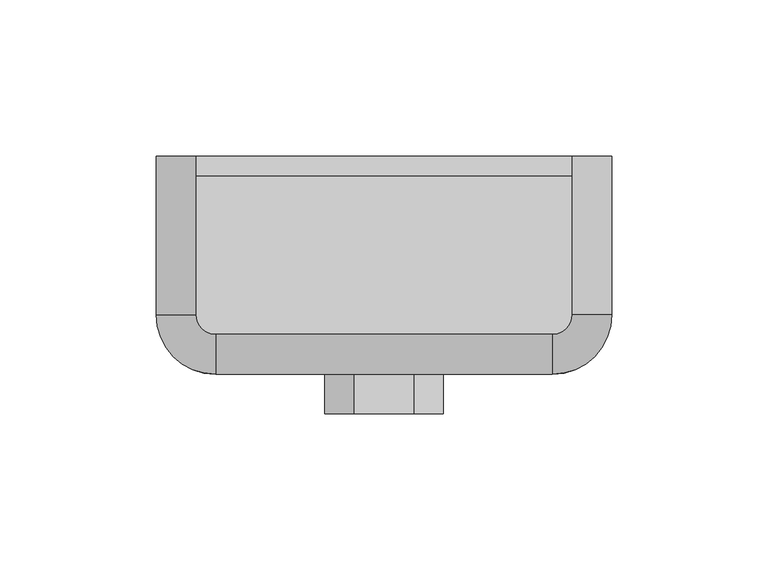
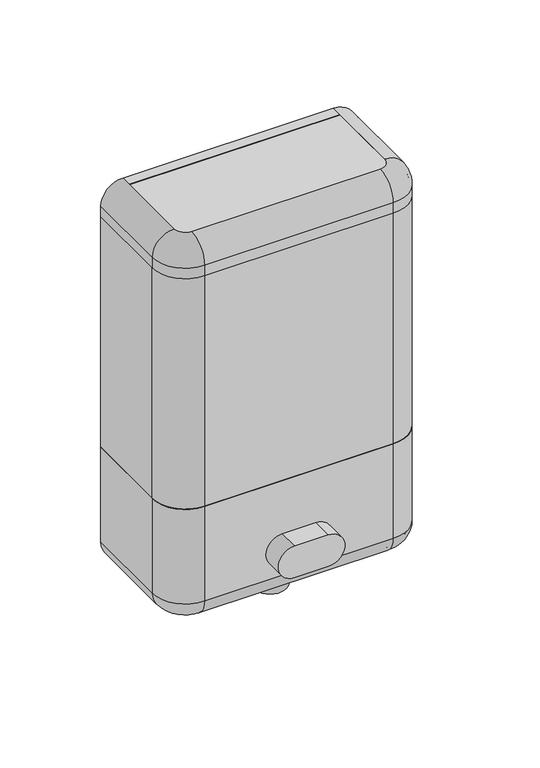
"""IFC4 building model written with IfcOpenShell, lengths in millimetres: proxy geometry."""

import ifcopenshell
import ifcopenshell.guid

model = None  # the IFC model being written
_history = None  # IfcOwnerHistory: only IFC2X3 demands one
_inside = {}  # id of a spatial element -> (the spatial element, [elements in it])
_under = {}  # id of a project, library or spatial element -> (it, [spatial elements below it])
_declared = {}  # id of a project -> (the project, [libraries it declares])
_typed = {}  # id of a type object -> (the type object, [elements of that type])
_made_of = {}  # id of a material, layer set ... -> (it, [elements and type objects made of it])


def new_model(schema):
    """Start an empty IFC model of exactly this schema.

    Asked for "IFC4X3", IfcOpenShell would pick the latest addendum, in which some entities
    have other attributes; the version numbers below select the first issue.
    IFC2X3 requires an IfcOwnerHistory on every rooted entity: one is made here for all.
    """
    global model, _history
    if schema == "IFC4X3":
        model = ifcopenshell.file(schema_version=(4, 3, 0, 0))
    else:
        model = ifcopenshell.file(schema=schema)
    _inside.clear()
    _under.clear()
    _declared.clear()
    _typed.clear()
    _made_of.clear()
    _history = None
    if model.schema == "IFC2X3":
        org = make("IfcOrganization", Name="unknown")
        user = make(
            "IfcPersonAndOrganization",
            ThePerson=make("IfcPerson", FamilyName="unknown"),
            TheOrganization=org,
        )
        app = make(
            "IfcApplication",
            ApplicationDeveloper=org,
            Version="unknown",
            ApplicationFullName="unknown",
            ApplicationIdentifier="unknown",
        )
        _history = make(
            "IfcOwnerHistory",
            OwningUser=user,
            OwningApplication=app,
            ChangeAction="ADDED",
            CreationDate=0,
        )
    return model


def make(cls, **values):
    """One entity of the class cls with the attributes given. An attribute that is None is left unset."""
    return model.create_entity(
        cls, **{name: value for name, value in values.items() if value is not None}
    )


def rooted(cls, **values):
    """An entity with a GlobalId (a new one), such as an element, a storey or a relation."""
    return make(cls, GlobalId=ifcopenshell.guid.new(), OwnerHistory=_history, **values)


def si_unit(unit_type, name, prefix=None):
    """IfcSIUnit, for example si_unit("LENGTHUNIT", "METRE", prefix="MILLI")."""
    return make("IfcSIUnit", UnitType=unit_type, Prefix=prefix, Name=name)


def assignment(units):
    """IfcUnitAssignment: the units of a project."""
    return None if units is None else make("IfcUnitAssignment", Units=units)


def point(xyz):
    """IfcCartesianPoint."""
    return None if xyz is None else make("IfcCartesianPoint", Coordinates=xyz)


def direction(xyz):
    """IfcDirection."""
    return None if xyz is None else make("IfcDirection", DirectionRatios=xyz)


def frame(location, z_axis=None, x_axis=None):
    """IfcAxis2Placement3D, a coordinate frame: its origin and axes. An axis left out is left unset."""
    return make(
        "IfcAxis2Placement3D",
        Location=point(location),
        Axis=direction(z_axis),
        RefDirection=direction(x_axis),
    )


def frame_2d(location, x_axis=None):
    """IfcAxis2Placement2D, a coordinate frame in the plane: its origin and x axis."""
    return make(
        "IfcAxis2Placement2D", Location=point(location), RefDirection=direction(x_axis)
    )


def origin():
    """The frame at (0, 0, 0) with its axes left unset."""
    return frame((0.0, 0.0, 0.0))


def origin_with_axes():
    """The frame at (0, 0, 0) with the z axis (0, 0, 1) and the x axis (1, 0, 0) written out."""
    return frame((0.0, 0.0, 0.0), z_axis=(0.0, 0.0, 1.0), x_axis=(1.0, 0.0, 0.0))


def place(relative_to, where):
    """IfcLocalPlacement: puts the frame where relative to a parent placement (None: the world)."""
    return make(
        "IfcLocalPlacement", PlacementRelTo=relative_to, RelativePlacement=where
    )


def context(
    kind, dimensions, precision=None, world=None, true_north=None, identifier=None
):
    """IfcGeometricRepresentationContext, for example the 3D "Model" context."""
    return make(
        "IfcGeometricRepresentationContext",
        ContextIdentifier=identifier,
        ContextType=kind,
        CoordinateSpaceDimension=dimensions,
        Precision=precision,
        WorldCoordinateSystem=world,
        TrueNorth=true_north,
    )


def project(units=None, contexts=None):
    """IfcProject with its units and contexts."""
    return rooted(
        "IfcProject",
        Name="project",
        RepresentationContexts=contexts,
        UnitsInContext=assignment(units),
    )


def spatial(cls, under=None, at=None, **own):
    """A site, building, storey or space (cls), placed at a placement, below another one or the project."""
    s = rooted(cls, ObjectPlacement=at, **own)
    if under is not None:
        _under.setdefault(under.id(), (under, []))[1].append(s)
    return s


def polyline(points):
    """IfcPolyline through the points."""
    return make("IfcPolyline", Points=[point(p) for p in points])


def circle_curve(where, radius):
    """IfcCircle in the frame where."""
    return make("IfcCircle", Position=where, Radius=radius)


def ellipse_curve(where, semi_axis1, semi_axis2):
    """IfcEllipse in the frame where."""
    return make(
        "IfcEllipse", Position=where, SemiAxis1=semi_axis1, SemiAxis2=semi_axis2
    )


def trimmed(basis, trim1, trim2, sense, master):
    """IfcTrimmedCurve: the piece of a basis curve between two trims."""
    return make(
        "IfcTrimmedCurve",
        BasisCurve=basis,
        Trim1=trim1,
        Trim2=trim2,
        SenseAgreement=sense,
        MasterRepresentation=master,
    )


def segment(curve, same_sense, transition):
    """IfcCompositeCurveSegment."""
    return make(
        "IfcCompositeCurveSegment",
        Transition=transition,
        SameSense=same_sense,
        ParentCurve=curve,
    )


def composite_curve(segments, self_intersect=None):
    """IfcCompositeCurve: segments joined end to end."""
    return make("IfcCompositeCurve", Segments=segments, SelfIntersect=self_intersect)


def outline(outer, holes=None, kind="AREA"):
    """IfcArbitraryClosedProfileDef: a profile drawn as a closed curve; with holes, ...WithVoids."""
    if holes is None:
        return make("IfcArbitraryClosedProfileDef", ProfileType=kind, OuterCurve=outer)
    return make(
        "IfcArbitraryProfileDefWithVoids",
        ProfileType=kind,
        OuterCurve=outer,
        InnerCurves=holes,
    )


def extrude(swept, where, along, depth):
    """IfcExtrudedAreaSolid: the profile swept, set in the frame where, extruded along a direction by depth."""
    return make(
        "IfcExtrudedAreaSolid",
        SweptArea=swept,
        Position=where,
        ExtrudedDirection=direction(along),
        Depth=depth,
    )


def shape(context_of_items, identifier, shape_type, items):
    """IfcShapeRepresentation: the items that make up one representation, for example the "Body"."""
    return make(
        "IfcShapeRepresentation",
        ContextOfItems=context_of_items,
        RepresentationIdentifier=identifier,
        RepresentationType=shape_type,
        Items=items,
    )


def source(mapping_origin, context_of_items, identifier, shape_type, items):
    """IfcRepresentationMap: a shape defined once, which mapped items show again and again."""
    return make(
        "IfcRepresentationMap",
        MappingOrigin=mapping_origin,
        MappedRepresentation=shape(context_of_items, identifier, shape_type, items),
    )


def transform(
    local_origin,
    x_axis=None,
    y_axis=None,
    z_axis=None,
    scale=None,
    scale2=None,
    scale3=None,
    uniform=True,
):
    """IfcCartesianTransformationOperator3D, or its non-uniform kind. x_axis, y_axis, z_axis: its Axis1, 2, 3."""
    if uniform:
        return make(
            "IfcCartesianTransformationOperator3D",
            Axis1=direction(x_axis),
            Axis2=direction(y_axis),
            LocalOrigin=point(local_origin),
            Scale=scale,
            Axis3=direction(z_axis),
        )
    return make(
        "IfcCartesianTransformationOperator3DnonUniform",
        Axis1=direction(x_axis),
        Axis2=direction(y_axis),
        LocalOrigin=point(local_origin),
        Scale=scale,
        Axis3=direction(z_axis),
        Scale2=scale2,
        Scale3=scale3,
    )


def mapped(mapping_source, mapping_target):
    """IfcMappedItem: shows the shape of a source again, moved by a transform."""
    return make(
        "IfcMappedItem", MappingSource=mapping_source, MappingTarget=mapping_target
    )


def made_of(thing, what):
    """Note that an element or type object is made of a material, layer set ...; save() writes the relation."""
    if what is not None:
        _made_of.setdefault(what.id(), (what, []))[1].append(thing)
    return thing


def element(
    cls,
    number,
    at=None,
    inside=None,
    cuts=None,
    type_object=None,
    material=None,
    context=None,
    identifier="Body",
    shape_type=None,
    held_by="IfcProductDefinitionShape",
    body=None,
    shapes=None,
    **own,
):
    """One element of the class cls, such as IfcWall. Its Tag is "e" and its number.

    at: its placement. inside: the storey or other place that contains it. cuts: it is an
    opening in that element (IfcRelVoidsElement). A single representation is given by context,
    identifier, shape_type and body (its items); several are given by shapes. held_by: the class
    of the entity that holds the representations. save() writes the other relations.
    """
    e = rooted(cls, Tag="e%d" % number, ObjectPlacement=at, **own)
    if body is not None:
        shapes = [shape(context, identifier, shape_type, body)]
    if shapes is not None:
        e.Representation = make(held_by, Representations=shapes)
    if inside is not None:
        _inside.setdefault(inside.id(), (inside, []))[1].append(e)
    if cuts is not None:
        rooted(
            "IfcRelVoidsElement", RelatingBuildingElement=cuts, RelatedOpeningElement=e
        )
    if type_object is not None:
        _typed.setdefault(type_object.id(), (type_object, []))[1].append(e)
    return made_of(e, material)


def aggregate(whole, parts):
    """IfcRelAggregates: a whole, such as a stair, and the parts it consists of."""
    return rooted("IfcRelAggregates", RelatingObject=whole, RelatedObjects=parts)


def save(model, path):
    """Write the relations noted so far, then the file.

    IfcRelAggregates (storeys below a building ...), IfcRelContainedInSpatialStructure (elements
    in a storey), IfcRelDefinesByType, IfcRelAssociatesMaterial and IfcRelDeclares: one each for
    every whole, place, type object, material and project.
    """
    for whole, parts in _under.values():
        aggregate(whole, parts)
    for where, things in _inside.values():
        rooted(
            "IfcRelContainedInSpatialStructure",
            RelatedElements=things,
            RelatingStructure=where,
        )
    for kind, things in _typed.values():
        rooted("IfcRelDefinesByType", RelatedObjects=things, RelatingType=kind)
    for what, things in _made_of.values():
        rooted("IfcRelAssociatesMaterial", RelatedObjects=things, RelatingMaterial=what)
    for by, libraries in _declared.values():
        rooted("IfcRelDeclares", RelatingContext=by, RelatedDefinitions=libraries)
    model.write(path)


def plane_surface(at):
    """IfcPlane: the flat surface through the origin of the frame at, square to its z axis."""
    return make("IfcPlane", Position=at)


def cylinder_surface(at, radius):
    """IfcCylindricalSurface: all points at the distance radius from the z axis of the frame at."""
    return make("IfcCylindricalSurface", Position=at, Radius=radius)


def revolved_surface(curve, axis_point, axis_direction):
    """IfcSurfaceOfRevolution: the curve turned about the line through axis_point along axis_direction."""
    return make(
        "IfcSurfaceOfRevolution",
        SweptCurve=make("IfcArbitraryOpenProfileDef", ProfileType="CURVE", Curve=curve),
        AxisPosition=make("IfcAxis1Placement", Location=point(axis_point), Axis=direction(axis_direction)),
    )


def advanced_brep(points, edges, surfaces, faces):
    """IfcAdvancedBrep: a solid bounded by faces that lie on surfaces and meet in shared edges.

    An edge is (start, end): straight between two places in points (the first is 0);
    or (start, end, curve); or (start, end, curve, False) where it runs against its curve.
    A face is (place in surfaces, loops), or (place, loops, False) where it looks against
    its surface's normal. A loop lists edges by number (the first is 1), with a minus sign
    where the edge is run from its end to its start. The first loop is the outer one.
    """
    corners = [point(p) for p in points]
    vertices = [make("IfcVertexPoint", VertexGeometry=c) for c in corners]
    made = []
    for start, end, *more in edges:
        made.append(
            make(
                "IfcEdgeCurve",
                EdgeStart=vertices[start],
                EdgeEnd=vertices[end],
                EdgeGeometry=more[0] if more else make("IfcPolyline", Points=[corners[start], corners[end]]),
                SameSense=more[1] if len(more) > 1 else True,
            )
        )
    hull = []
    for where, loops, *sense in faces:
        bounds = []
        for j, loop in enumerate(loops):
            ring = [make("IfcOrientedEdge", EdgeElement=made[abs(k) - 1], Orientation=k > 0) for k in loop]
            bounds.append(
                make(
                    "IfcFaceOuterBound" if j == 0 else "IfcFaceBound",
                    Bound=make("IfcEdgeLoop", EdgeList=ring),
                    Orientation=True,
                )
            )
        hull.append(make("IfcAdvancedFace", Bounds=bounds, FaceSurface=surfaces[where], SameSense=sense[0] if sense else True))
    return make("IfcAdvancedBrep", Outer=make("IfcClosedShell", CfsFaces=hull))


def specialty_equipment_b6fbd8a6(model_context):
    return source(origin(), model_context, "Body", "SolidModel", [
        advanced_brep(
        [(-73.025, 0.0, 12.7), (-73.025, 0.0, 69.85), (-71.4375, 0.0, 69.85), (-71.4375, 0.0, 12.7), (-60.325, 0.0, 1.5875), (-60.325, 0.0, 0.0), (-73.025, -50.8, 12.7), (-73.025, -50.8, 69.85), (-53.975, -69.85, 69.85), (53.975, -69.85, 69.85), (73.025, -50.8, 69.85), (73.025, 0.0, 69.85), (71.4375, 0.0, 69.85), (71.4375, -50.8, 69.85), (53.975, -68.2625, 69.85), (-53.975, -68.2625, 69.85), (-71.4375, -50.8, 69.85), (-71.4375, -50.8, 12.7), (-60.325, -50.8, 1.5875), (-60.325, -50.8, 0.0), (-53.975, -69.85, 12.7), (-53.975, -68.2625, 12.7), (-53.975, -57.15, 1.5875), (-53.975, -57.15, 0.0), (53.975, -69.85, 12.7), (53.975, -68.2625, 12.7), (53.975, -57.15, 1.5875), (53.975, -57.15, 0.0), (73.025, -50.8, 12.7), (71.4375, -50.8, 12.7), (60.325, -50.8, 1.5875), (60.325, -50.8, 0.0), (73.025, 0.0, 12.7), (60.325, 0.0, 0.0), (60.325, 0.0, 1.5875), (71.4375, 0.0, 12.7)],
        [
            (0, 1),
            (1, 2),
            (2, 3),
            (3, 4, circle_curve(frame((-60.325, 0.0, 12.7), z_axis=(0.0, -1.0, 0.0), x_axis=(1.0, 0.0, 0.0)), 11.1125)),
            (4, 5),
            (5, 0, circle_curve(frame((-60.325, 0.0, 12.7), z_axis=(0.0, 1.0, 0.0), x_axis=(1.0, 0.0, 0.0)), 12.7)),
            (0, 6),
            (6, 7),
            (7, 1),
            (7, 8, circle_curve(frame((-53.975, -50.8, 69.85), z_axis=(0.0, 0.0, 1.0), x_axis=(-1.0, 0.0, 0.0)), 19.05)),
            (8, 9),
            (9, 10, circle_curve(frame((53.975, -50.8, 69.85), z_axis=(0.0, 0.0, 1.0), x_axis=(0.0, -1.0, 0.0)), 19.05)),
            (10, 11),
            (11, 12),
            (12, 13),
            (13, 14, circle_curve(frame((53.975, -50.8, 69.85), z_axis=(0.0, 0.0, -1.0), x_axis=(0.0, -1.0, 0.0)), 17.4625)),
            (14, 15),
            (15, 16, circle_curve(frame((-53.975, -50.8, 69.85), z_axis=(0.0, 0.0, -1.0), x_axis=(-1.0, 0.0, 0.0)), 17.4625)),
            (16, 2),
            (16, 17),
            (17, 3),
            (17, 18, circle_curve(frame((-60.325, -50.8, 12.7), z_axis=(0.0, -1.0, 0.0), x_axis=(1.0, 0.0, 0.0)), 11.1125)),
            (18, 4),
            (18, 19),
            (19, 5),
            (19, 6, circle_curve(frame((-60.325, -50.8, 12.7), z_axis=(0.0, 1.0, 0.0), x_axis=(1.0, 0.0, 0.0)), 12.7)),
            (6, 20, circle_curve(frame((-53.975, -50.8, 12.7), z_axis=(0.0, 0.0, 1.0), x_axis=(-1.0, 0.0, 0.0)), 19.05)),
            (20, 8),
            (21, 17, circle_curve(frame((-53.975, -50.8, 12.7), z_axis=(0.0, 0.0, -1.0), x_axis=(-1.0, 0.0, 0.0)), 17.4625)),
            (15, 21),
            (22, 18, circle_curve(frame((-53.975, -50.8, 1.5875), z_axis=(0.0, 0.0, -1.0), x_axis=(-1.0, 0.0, 0.0)), 6.35)),
            (21, 22, circle_curve(frame((-53.975, -57.15, 12.7), z_axis=(1.0, 0.0, 0.0), x_axis=(0.0, 1.0, 0.0)), 11.1125)),
            (23, 19, circle_curve(frame((-53.975, -50.8, 0.0), z_axis=(0.0, 0.0, -1.0), x_axis=(-1.0, 0.0, 0.0)), 6.35)),
            (22, 23),
            (23, 20, circle_curve(frame((-53.975, -57.15, 12.7), z_axis=(-1.0, 0.0, 0.0), x_axis=(0.0, 1.0, 0.0)), 12.7)),
            (20, 24),
            (24, 9),
            (14, 25),
            (25, 21),
            (25, 26, circle_curve(frame((53.975, -57.15, 12.7), z_axis=(1.0, 0.0, 0.0), x_axis=(0.0, 1.0, 0.0)), 11.1125)),
            (26, 22),
            (26, 27),
            (27, 23),
            (27, 24, circle_curve(frame((53.975, -57.15, 12.7), z_axis=(-1.0, 0.0, 0.0), x_axis=(0.0, 1.0, 0.0)), 12.7)),
            (24, 28, circle_curve(frame((53.975, -50.8, 12.7), z_axis=(0.0, 0.0, 1.0), x_axis=(0.0, -1.0, 0.0)), 19.05)),
            (28, 10),
            (29, 25, circle_curve(frame((53.975, -50.8, 12.7), z_axis=(0.0, 0.0, -1.0), x_axis=(0.0, -1.0, 0.0)), 17.4625)),
            (13, 29),
            (30, 26, circle_curve(frame((53.975, -50.8, 1.5875), z_axis=(0.0, 0.0, -1.0), x_axis=(0.0, -1.0, 0.0)), 6.35)),
            (29, 30, circle_curve(frame((60.325, -50.8, 12.7), z_axis=(0.0, 1.0, 0.0), x_axis=(-1.0, 0.0, 0.0)), 11.1125)),
            (31, 27, circle_curve(frame((53.975, -50.8, 0.0), z_axis=(0.0, 0.0, -1.0), x_axis=(0.0, -1.0, 0.0)), 6.35)),
            (30, 31),
            (31, 28, circle_curve(frame((60.325, -50.8, 12.7), z_axis=(0.0, -1.0, 0.0), x_axis=(-1.0, 0.0, 0.0)), 12.7)),
            (32, 33, circle_curve(frame((60.325, 0.0, 12.7), z_axis=(0.0, 1.0, 0.0), x_axis=(-1.0, 0.0, 0.0)), 12.7)),
            (33, 34),
            (34, 35, circle_curve(frame((60.325, 0.0, 12.7), z_axis=(0.0, -1.0, 0.0), x_axis=(-1.0, 0.0, 0.0)), 11.1125)),
            (35, 12),
            (11, 32),
            (28, 32),
            (35, 29),
            (34, 30),
            (33, 31),
        ],
        [
            plane_surface(frame((-73.025, 0.0, 0.0), z_axis=(0.0, 1.0, 0.0), x_axis=(0.0, 0.0, 1.0))),
            plane_surface(frame((-73.025, 0.0, 12.7), z_axis=(-1.0, 0.0, 0.0), x_axis=(0.0, -1.0, 0.0))),
            plane_surface(frame((-73.025, 0.0, 69.85), z_axis=(0.0, 0.0, 1.0), x_axis=(0.0, -1.0, 0.0))),
            plane_surface(frame((-71.4375, 0.0, 69.85), z_axis=(1.0, 0.0, 0.0), x_axis=(0.0, -1.0, 0.0))),
            revolved_surface(polyline([(-49.212500000000006, -50.8, 12.7), (-49.212500000000006, 0.0, 12.7)]), (-60.325, 0.0, 12.7), (0.0, -1.0, 0.0)),
            plane_surface(frame((-60.325, 0.0, 1.5875), z_axis=(1.0, 0.0, 0.0), x_axis=(0.0, -1.0, 0.0))),
            cylinder_surface(frame((-60.325, 0.0, 12.7), z_axis=(0.0, 1.0, 0.0), x_axis=(1.0, 0.0, 0.0)), 12.7),
            cylinder_surface(frame((-53.975, -50.8, 0.0), z_axis=(0.0, 0.0, 1.0), x_axis=(-1.0, 0.0, 0.0)), 19.05),
            revolved_surface(polyline([(-71.4375, -50.8, 69.85), (-71.4375, -50.8, 12.7)]), (-53.975, -50.8, 0.0), (0.0, 0.0, 1.0)),
            revolved_surface(trimmed(ellipse_curve(frame((-60.325, -50.8, 12.7), z_axis=(0.0, -1.0, 0.0), x_axis=(1.0, 0.0, 0.0)), 11.1125, 11.1125), [point((-71.4375, -50.8, 12.7))], [point((-60.325, -50.8, 1.5875))], True, "CARTESIAN"), (-53.975, -50.8, 0.0), (0.0, 0.0, 1.0)),
            revolved_surface(polyline([(-60.325, -50.8, 1.5875), (-60.325, -50.8, 0.0)]), (-53.975, -50.8, 0.0), (0.0, 0.0, 1.0)),
            revolved_surface(trimmed(ellipse_curve(frame((-60.325, -50.8, 12.7), z_axis=(0.0, 1.0, 0.0), x_axis=(1.0, 0.0, 0.0)), 12.7, 12.7), [point((-60.325, -50.8, 0.0))], [point((-73.025, -50.8, 12.7))], True, "CARTESIAN"), (-53.975, -50.8, 0.0), (0.0, 0.0, 1.0)),
            plane_surface(frame((-53.975, -69.85, 12.7), z_axis=(0.0, -1.0, 0.0), x_axis=(1.0, 0.0, 0.0))),
            plane_surface(frame((-53.975, -68.2625, 69.85), z_axis=(0.0, 1.0, 0.0), x_axis=(1.0, 0.0, 0.0))),
            revolved_surface(polyline([(53.975, -46.037499999999994, 12.7), (-53.975, -46.037499999999994, 12.7)]), (-53.975, -57.15, 12.7), (1.0, 0.0, 0.0)),
            plane_surface(frame((-53.975, -57.15, 1.5875), z_axis=(0.0, 1.0, 0.0), x_axis=(1.0, 0.0, 0.0))),
            cylinder_surface(frame((-53.975, -57.15, 12.7), z_axis=(-1.0, 0.0, 0.0), x_axis=(0.0, 1.0, 0.0)), 12.7),
            cylinder_surface(frame((53.975, -50.8, 0.0), z_axis=(0.0, 0.0, 1.0), x_axis=(0.0, -1.0, 0.0)), 19.05),
            revolved_surface(polyline([(53.975, -68.26249999999999, 69.85), (53.975, -68.26249999999999, 12.7)]), (53.975, -50.8, 0.0), (0.0, 0.0, 1.0)),
            revolved_surface(trimmed(ellipse_curve(frame((53.975, -57.15, 12.7), z_axis=(1.0, 0.0, 0.0), x_axis=(0.0, 1.0, 0.0)), 11.1125, 11.1125), [point((53.975, -68.2625, 12.7))], [point((53.975, -57.15, 1.5875))], True, "CARTESIAN"), (53.975, -50.8, 0.0), (0.0, 0.0, 1.0)),
            revolved_surface(polyline([(53.975, -57.15, 1.5875), (53.975, -57.15, 0.0)]), (53.975, -50.8, 0.0), (0.0, 0.0, 1.0)),
            revolved_surface(trimmed(ellipse_curve(frame((53.975, -57.15, 12.7), z_axis=(-1.0, 0.0, 0.0), x_axis=(0.0, 1.0, 0.0)), 12.7, 12.7), [point((53.975, -57.15, 0.0))], [point((53.975, -69.85, 12.7))], True, "CARTESIAN"), (53.975, -50.8, 0.0), (0.0, 0.0, 1.0)),
            plane_surface(frame((73.025, 0.0, 0.0), z_axis=(0.0, 1.0, 0.0), x_axis=(0.0, 0.0, 1.0))),
            plane_surface(frame((73.025, -50.8, 12.7), z_axis=(1.0, 0.0, 0.0), x_axis=(0.0, 1.0, 0.0))),
            plane_surface(frame((71.4375, -50.8, 69.85), z_axis=(-1.0, 0.0, 0.0), x_axis=(0.0, 1.0, 0.0))),
            revolved_surface(polyline([(49.212500000000006, 0.0, 12.7), (49.212500000000006, -50.8, 12.7)]), (60.325, -50.8, 12.7), (0.0, 1.0, 0.0)),
            plane_surface(frame((60.325, -50.8, 1.5875), z_axis=(-1.0, 0.0, 0.0), x_axis=(0.0, 1.0, 0.0))),
            cylinder_surface(frame((60.325, -50.8, 12.7), z_axis=(0.0, -1.0, 0.0), x_axis=(-1.0, 0.0, 0.0)), 12.7),
        ],
        [
            (0, [[1, 2, 3, 4, 5, 6]]),
            (1, [[-1, 7, 8, 9]]),
            (2, [[-2, -9, 10, 11, 12, 13, 14, 15, 16, 17, 18, 19]]),
            (3, [[-3, -19, 20, 21]]),
            (4, [[-4, -21, 22, 23]]),
            (5, [[-5, -23, 24, 25]]),
            (6, [[-6, -25, 26, -7]]),
            (7, [[-10, -8, 27, 28]]),
            (8, [[29, -20, -18, 30]]),
            (9, [[31, -22, -29, 32]]),
            (10, [[33, -24, -31, 34]]),
            (11, [[-27, -26, -33, 35]]),
            (12, [[-28, 36, 37, -11]]),
            (13, [[-30, -17, 38, 39]]),
            (14, [[-32, -39, 40, 41]]),
            (15, [[-34, -41, 42, 43]]),
            (16, [[-35, -43, 44, -36]]),
            (17, [[-12, -37, 45, 46]]),
            (18, [[47, -38, -16, 48]]),
            (19, [[49, -40, -47, 50]]),
            (20, [[51, -42, -49, 52]]),
            (21, [[-45, -44, -51, 53]]),
            (22, [[54, 55, 56, 57, -14, 58]]),
            (23, [[-46, 59, -58, -13]]),
            (24, [[-48, -15, -57, 60]]),
            (25, [[-50, -60, -56, 61]]),
            (26, [[-52, -61, -55, 62]]),
            (27, [[-53, -62, -54, -59]]),
        ],
    ),
        advanced_brep(
        [(-73.025, 0.0, 215.9), (-60.325, 0.0, 228.6), (-60.325, 0.0, 227.0125), (-71.4375, 0.0, 215.9), (-71.4375, 0.0, 209.55), (-73.025, 0.0, 209.55), (-73.025, -50.8, 215.9), (-60.325, -50.8, 228.6), (-60.325, -50.8, 227.0125), (-71.4375, -50.8, 215.9), (-71.4375, -50.8, 209.55), (-53.975, -68.2625, 209.55), (53.975, -68.2625, 209.55), (71.4375, -50.8, 209.55), (71.4375, 0.0, 209.55), (73.025, 0.0, 209.55), (73.025, -50.8, 209.55), (53.975, -69.85, 209.55), (-53.975, -69.85, 209.55), (-73.025, -50.8, 209.55), (-53.975, -57.15, 228.6), (-53.975, -69.85, 215.9), (-53.975, -57.15, 227.0125), (-53.975, -68.2625, 215.9), (53.975, -69.85, 215.9), (53.975, -57.15, 228.6), (53.975, -57.15, 227.0125), (53.975, -68.2625, 215.9), (60.325, -50.8, 228.6), (73.025, -50.8, 215.9), (60.325, -50.8, 227.0125), (71.4375, -50.8, 215.9), (73.025, 0.0, 215.9), (71.4375, 0.0, 215.9), (60.325, 0.0, 227.0125), (60.325, 0.0, 228.6)],
        [
            (0, 1, circle_curve(frame((-60.325, 0.0, 215.9), z_axis=(0.0, 1.0, 0.0), x_axis=(1.0, 0.0, 0.0)), 12.7)),
            (1, 2),
            (2, 3, circle_curve(frame((-60.325, 0.0, 215.9), z_axis=(0.0, -1.0, 0.0), x_axis=(1.0, 0.0, 0.0)), 11.1125)),
            (3, 4),
            (4, 5),
            (5, 0),
            (0, 6),
            (6, 7, circle_curve(frame((-60.325, -50.8, 215.9), z_axis=(0.0, 1.0, 0.0), x_axis=(1.0, 0.0, 0.0)), 12.7)),
            (7, 1),
            (7, 8),
            (8, 2),
            (8, 9, circle_curve(frame((-60.325, -50.8, 215.9), z_axis=(0.0, -1.0, 0.0), x_axis=(1.0, 0.0, 0.0)), 11.1125)),
            (9, 3),
            (9, 10),
            (10, 4),
            (10, 11, circle_curve(frame((-53.975, -50.8, 209.55), z_axis=(0.0, 0.0, 1.0), x_axis=(-1.0, 0.0, 0.0)), 17.4625)),
            (11, 12),
            (12, 13, circle_curve(frame((53.975, -50.8, 209.55), z_axis=(0.0, 0.0, 1.0), x_axis=(0.0, -1.0, 0.0)), 17.4625)),
            (13, 14),
            (14, 15),
            (15, 16),
            (16, 17, circle_curve(frame((53.975, -50.8, 209.55), z_axis=(0.0, 0.0, -1.0), x_axis=(0.0, -1.0, 0.0)), 19.05)),
            (17, 18),
            (18, 19, circle_curve(frame((-53.975, -50.8, 209.55), z_axis=(0.0, 0.0, -1.0), x_axis=(-1.0, 0.0, 0.0)), 19.05)),
            (19, 5),
            (19, 6),
            (20, 7, circle_curve(frame((-53.975, -50.8, 228.6), z_axis=(0.0, 0.0, -1.0), x_axis=(-1.0, 0.0, 0.0)), 6.35)),
            (6, 21, circle_curve(frame((-53.975, -50.8, 215.9), z_axis=(0.0, 0.0, 1.0), x_axis=(-1.0, 0.0, 0.0)), 19.05)),
            (21, 20, circle_curve(frame((-53.975, -57.15, 215.9), z_axis=(-1.0, 0.0, 0.0), x_axis=(0.0, 1.0, 0.0)), 12.7)),
            (22, 8, circle_curve(frame((-53.975, -50.8, 227.0125), z_axis=(0.0, 0.0, -1.0), x_axis=(-1.0, 0.0, 0.0)), 6.35)),
            (20, 22),
            (23, 9, circle_curve(frame((-53.975, -50.8, 215.9), z_axis=(0.0, 0.0, -1.0), x_axis=(-1.0, 0.0, 0.0)), 17.4625)),
            (22, 23, circle_curve(frame((-53.975, -57.15, 215.9), z_axis=(1.0, 0.0, 0.0), x_axis=(0.0, 1.0, 0.0)), 11.1125)),
            (23, 11),
            (18, 21),
            (21, 24),
            (24, 25, circle_curve(frame((53.975, -57.15, 215.9), z_axis=(-1.0, 0.0, 0.0), x_axis=(0.0, 1.0, 0.0)), 12.7)),
            (25, 20),
            (25, 26),
            (26, 22),
            (26, 27, circle_curve(frame((53.975, -57.15, 215.9), z_axis=(1.0, 0.0, 0.0), x_axis=(0.0, 1.0, 0.0)), 11.1125)),
            (27, 23),
            (27, 12),
            (17, 24),
            (28, 25, circle_curve(frame((53.975, -50.8, 228.6), z_axis=(0.0, 0.0, -1.0), x_axis=(0.0, -1.0, 0.0)), 6.35)),
            (24, 29, circle_curve(frame((53.975, -50.8, 215.9), z_axis=(0.0, 0.0, 1.0), x_axis=(0.0, -1.0, 0.0)), 19.05)),
            (29, 28, circle_curve(frame((60.325, -50.8, 215.9), z_axis=(0.0, -1.0, 0.0), x_axis=(-1.0, 0.0, 0.0)), 12.7)),
            (30, 26, circle_curve(frame((53.975, -50.8, 227.0125), z_axis=(0.0, 0.0, -1.0), x_axis=(0.0, -1.0, 0.0)), 6.35)),
            (28, 30),
            (31, 27, circle_curve(frame((53.975, -50.8, 215.9), z_axis=(0.0, 0.0, -1.0), x_axis=(0.0, -1.0, 0.0)), 17.4625)),
            (30, 31, circle_curve(frame((60.325, -50.8, 215.9), z_axis=(0.0, 1.0, 0.0), x_axis=(-1.0, 0.0, 0.0)), 11.1125)),
            (31, 13),
            (16, 29),
            (32, 15),
            (14, 33),
            (33, 34, circle_curve(frame((60.325, 0.0, 215.9), z_axis=(0.0, -1.0, 0.0), x_axis=(-1.0, 0.0, 0.0)), 11.1125)),
            (34, 35),
            (35, 32, circle_curve(frame((60.325, 0.0, 215.9), z_axis=(0.0, 1.0, 0.0), x_axis=(-1.0, 0.0, 0.0)), 12.7)),
            (29, 32),
            (35, 28),
            (34, 30),
            (33, 31),
        ],
        [
            plane_surface(frame((-73.025, 0.0, 228.6), z_axis=(0.0, 1.0, 0.0), x_axis=(0.0, 0.0, 1.0))),
            cylinder_surface(frame((-60.325, 0.0, 215.9), z_axis=(0.0, 1.0, 0.0), x_axis=(1.0, 0.0, 0.0)), 12.7),
            plane_surface(frame((-60.325, 0.0, 228.6), z_axis=(1.0, 0.0, 0.0), x_axis=(0.0, -1.0, 0.0))),
            revolved_surface(polyline([(-49.212500000000006, -50.8, 215.9), (-49.212500000000006, 0.0, 215.9)]), (-60.325, 0.0, 215.9), (0.0, -1.0, 0.0)),
            plane_surface(frame((-71.4375, 0.0, 215.9), z_axis=(1.0, 0.0, 0.0), x_axis=(0.0, -1.0, 0.0))),
            plane_surface(frame((-71.4375, 0.0, 209.55), z_axis=(0.0, 0.0, -1.0), x_axis=(0.0, -1.0, 0.0))),
            plane_surface(frame((-73.025, 0.0, 209.55), z_axis=(-1.0, 0.0, 0.0), x_axis=(0.0, -1.0, 0.0))),
            revolved_surface(trimmed(ellipse_curve(frame((-60.325, -50.8, 215.9), z_axis=(0.0, 1.0, 0.0), x_axis=(1.0, 0.0, 0.0)), 12.7, 12.7), [point((-73.025, -50.8, 215.9))], [point((-60.325, -50.8, 228.6))], True, "CARTESIAN"), (-53.975, -50.8, 228.6), (0.0, 0.0, 1.0)),
            revolved_surface(polyline([(-60.325, -50.8, 228.6), (-60.325, -50.8, 227.0125)]), (-53.975, -50.8, 228.6), (0.0, 0.0, 1.0)),
            revolved_surface(trimmed(ellipse_curve(frame((-60.325, -50.8, 215.9), z_axis=(0.0, -1.0, 0.0), x_axis=(1.0, 0.0, 0.0)), 11.1125, 11.1125), [point((-60.325, -50.8, 227.0125))], [point((-71.4375, -50.8, 215.9))], True, "CARTESIAN"), (-53.975, -50.8, 228.6), (0.0, 0.0, 1.0)),
            revolved_surface(polyline([(-71.4375, -50.8, 215.9), (-71.4375, -50.8, 209.55)]), (-53.975, -50.8, 228.6), (0.0, 0.0, 1.0)),
            cylinder_surface(frame((-53.975, -50.8, 228.6), z_axis=(0.0, 0.0, 1.0), x_axis=(-1.0, 0.0, 0.0)), 19.05),
            cylinder_surface(frame((-53.975, -57.15, 215.9), z_axis=(-1.0, 0.0, 0.0), x_axis=(0.0, 1.0, 0.0)), 12.7),
            plane_surface(frame((-53.975, -57.15, 228.6), z_axis=(0.0, 1.0, 0.0), x_axis=(1.0, 0.0, 0.0))),
            revolved_surface(polyline([(53.975, -46.037499999999994, 215.9), (-53.975, -46.037499999999994, 215.9)]), (-53.975, -57.15, 215.9), (1.0, 0.0, 0.0)),
            plane_surface(frame((-53.975, -68.2625, 215.9), z_axis=(0.0, 1.0, 0.0), x_axis=(1.0, 0.0, 0.0))),
            plane_surface(frame((-53.975, -69.85, 209.55), z_axis=(0.0, -1.0, 0.0), x_axis=(1.0, 0.0, 0.0))),
            revolved_surface(trimmed(ellipse_curve(frame((53.975, -57.15, 215.9), z_axis=(-1.0, 0.0, 0.0), x_axis=(0.0, 1.0, 0.0)), 12.7, 12.7), [point((53.975, -69.85, 215.9))], [point((53.975, -57.15, 228.6))], True, "CARTESIAN"), (53.975, -50.8, 228.6), (0.0, 0.0, 1.0)),
            revolved_surface(polyline([(53.975, -57.15, 228.6), (53.975, -57.15, 227.0125)]), (53.975, -50.8, 228.6), (0.0, 0.0, 1.0)),
            revolved_surface(trimmed(ellipse_curve(frame((53.975, -57.15, 215.9), z_axis=(1.0, 0.0, 0.0), x_axis=(0.0, 1.0, 0.0)), 11.1125, 11.1125), [point((53.975, -57.15, 227.0125))], [point((53.975, -68.2625, 215.9))], True, "CARTESIAN"), (53.975, -50.8, 228.6), (0.0, 0.0, 1.0)),
            revolved_surface(polyline([(53.975, -68.26249999999999, 215.9), (53.975, -68.26249999999999, 209.55)]), (53.975, -50.8, 228.6), (0.0, 0.0, 1.0)),
            cylinder_surface(frame((53.975, -50.8, 228.6), z_axis=(0.0, 0.0, 1.0), x_axis=(0.0, -1.0, 0.0)), 19.05),
            plane_surface(frame((73.025, 0.0, 228.6), z_axis=(0.0, 1.0, 0.0), x_axis=(0.0, 0.0, 1.0))),
            cylinder_surface(frame((60.325, -50.8, 215.9), z_axis=(0.0, -1.0, 0.0), x_axis=(-1.0, 0.0, 0.0)), 12.7),
            plane_surface(frame((60.325, -50.8, 228.6), z_axis=(-1.0, 0.0, 0.0), x_axis=(0.0, 1.0, 0.0))),
            revolved_surface(polyline([(49.212500000000006, 0.0, 215.9), (49.212500000000006, -50.8, 215.9)]), (60.325, -50.8, 215.9), (0.0, 1.0, 0.0)),
            plane_surface(frame((71.4375, -50.8, 215.9), z_axis=(-1.0, 0.0, 0.0), x_axis=(0.0, 1.0, 0.0))),
            plane_surface(frame((73.025, -50.8, 209.55), z_axis=(1.0, 0.0, 0.0), x_axis=(0.0, 1.0, 0.0))),
        ],
        [
            (0, [[1, 2, 3, 4, 5, 6]]),
            (1, [[-1, 7, 8, 9]]),
            (2, [[-2, -9, 10, 11]]),
            (3, [[-3, -11, 12, 13]]),
            (4, [[-4, -13, 14, 15]]),
            (5, [[-5, -15, 16, 17, 18, 19, 20, 21, 22, 23, 24, 25]]),
            (6, [[-6, -25, 26, -7]]),
            (7, [[27, -8, 28, 29]]),
            (8, [[30, -10, -27, 31]]),
            (9, [[32, -12, -30, 33]]),
            (10, [[-16, -14, -32, 34]]),
            (11, [[-28, -26, -24, 35]]),
            (12, [[-29, 36, 37, 38]]),
            (13, [[-31, -38, 39, 40]]),
            (14, [[-33, -40, 41, 42]]),
            (15, [[-34, -42, 43, -17]]),
            (16, [[-35, -23, 44, -36]]),
            (17, [[45, -37, 46, 47]]),
            (18, [[48, -39, -45, 49]]),
            (19, [[50, -41, -48, 51]]),
            (20, [[-18, -43, -50, 52]]),
            (21, [[-46, -44, -22, 53]]),
            (22, [[54, -20, 55, 56, 57, 58]]),
            (23, [[-47, 59, -58, 60]]),
            (24, [[-49, -60, -57, 61]]),
            (25, [[-51, -61, -56, 62]]),
            (26, [[-52, -62, -55, -19]]),
            (27, [[-53, -21, -54, -59]]),
        ],
    ),
        extrude(outline(composite_curve([segment(polyline([(-73.025, -50.8), (-73.025, 0.0), (-71.4375, 0.0), (-71.4375, -50.8)]), True, "CONTINUOUS"), segment(trimmed(circle_curve(frame_2d((-53.975, -50.8)), 17.4625), [point((-71.4375, -50.8))], [point((-53.975, -68.2625))], True, "CARTESIAN"), True, "CONTINUOUS"), segment(polyline([(-53.975, -68.2625), (53.975, -68.2625)]), True, "CONTINUOUS"), segment(trimmed(circle_curve(frame_2d((53.975, -50.8)), 17.4625), [point((53.975, -68.2625))], [point((71.4375, -50.8))], True, "CARTESIAN"), True, "CONTINUOUS"), segment(polyline([(71.4375, -50.8), (71.4375, 0.0), (73.025, 0.0), (73.025, -50.8)]), True, "CONTINUOUS"), segment(trimmed(circle_curve(frame_2d((53.975, -50.8)), 19.05), [point((73.025, -50.8))], [point((53.975, -69.85))], False, "CARTESIAN"), True, "CONTINUOUS"), segment(polyline([(53.975, -69.85), (-53.975, -69.85)]), True, "CONTINUOUS"), segment(trimmed(circle_curve(frame_2d((-53.975, -50.8)), 19.05), [point((-53.975, -69.85))], [point((-73.025, -50.8))], False, "CARTESIAN"), True, "CONTINUOUS")], self_intersect=False)), frame((0.0, 0.0, 69.85), z_axis=(0.0, 0.0, 1.0), x_axis=(1.0, 0.0, 0.0)), (0.0, 0.0, 1.0), 139.7),
        extrude(outline(composite_curve([segment(polyline([(53.975, -68.2625), (-53.975, -68.2625)]), True, "CONTINUOUS"), segment(trimmed(circle_curve(frame_2d((-53.975, -50.8)), 17.4625), [point((-53.975, -68.2625))], [point((-71.4375, -50.8))], False, "CARTESIAN"), True, "CONTINUOUS"), segment(polyline([(-71.4375, -50.8), (-71.4375, 0.0), (71.4375, 0.0), (71.4375, -50.8)]), True, "CONTINUOUS"), segment(trimmed(circle_curve(frame_2d((53.975, -50.8)), 17.4625), [point((71.4375, -50.8))], [point((53.975, -68.2625))], False, "CARTESIAN"), True, "CONTINUOUS")], self_intersect=False)), frame((0.0, 0.0, 69.85), z_axis=(0.0, 0.0, 1.0), x_axis=(1.0, 0.0, 0.0)), (0.0, 0.0, 1.0), 101.8530988),
        extrude(outline(composite_curve([segment(trimmed(circle_curve(frame_2d((0.0, -41.275)), 9.525), [point((-9.525, -41.275))], [point((9.525, -41.275))], False, "CARTESIAN"), True, "CONTINUOUS"), segment(trimmed(circle_curve(frame_2d((0.0, -41.275)), 9.525), [point((9.525, -41.275))], [point((-9.525, -41.275))], False, "CARTESIAN"), True, "CONTINUOUS")], self_intersect=False)), frame((0.0, 0.0, -12.7), z_axis=(0.0, 0.0, 1.0), x_axis=(1.0, 0.0, 0.0)), (0.0, 0.0, 1.0), 12.7),
        extrude(outline(composite_curve([segment(trimmed(circle_curve(frame_2d((28.575, -9.525)), 9.525), [point((38.1, -9.525))], [point((19.05, -9.525))], False, "CARTESIAN"), True, "CONTINUOUS"), segment(polyline([(19.05, -9.525), (19.05, 9.525)]), True, "CONTINUOUS"), segment(trimmed(circle_curve(frame_2d((28.575, 9.525)), 9.525), [point((19.05, 9.525))], [point((38.1, 9.525))], False, "CARTESIAN"), True, "CONTINUOUS"), segment(polyline([(38.1, 9.525), (38.1, -9.525)]), True, "CONTINUOUS")], self_intersect=False)), frame((0.0, -82.55, 0.0), z_axis=(0.0, 1.0, 0.0), x_axis=(0.0, 0.0, 1.0)), (0.0, 0.0, 1.0), 12.7),
        extrude(outline(composite_curve([segment(polyline([(-60.325, 0.0), (60.325, 0.0), (60.325, -50.8)]), True, "CONTINUOUS"), segment(trimmed(circle_curve(frame_2d((53.975, -50.8)), 6.35), [point((60.325, -50.8))], [point((53.975, -57.15))], False, "CARTESIAN"), True, "CONTINUOUS"), segment(polyline([(53.975, -57.15), (-53.975, -57.15)]), True, "CONTINUOUS"), segment(trimmed(circle_curve(frame_2d((-53.975, -50.8)), 6.35), [point((-53.975, -57.15))], [point((-60.325, -50.8))], False, "CARTESIAN"), True, "CONTINUOUS"), segment(polyline([(-60.325, -50.8), (-60.325, 0.0)]), True, "CONTINUOUS")], self_intersect=False)), origin_with_axes(), (0.0, 0.0, 1.0), 1.5875),
        extrude(outline(composite_curve([segment(trimmed(circle_curve(frame_2d((215.9, -60.325)), 12.7), [point((228.6, -60.325))], [point((215.9, -73.025))], False, "CARTESIAN"), True, "CONTINUOUS"), segment(polyline([(215.9, -73.025), (12.7, -73.025)]), True, "CONTINUOUS"), segment(trimmed(circle_curve(frame_2d((12.7, -60.325)), 12.7), [point((12.7, -73.025))], [point((0.0, -60.325))], False, "CARTESIAN"), True, "CONTINUOUS"), segment(polyline([(0.0, -60.325), (0.0, 60.325)]), True, "CONTINUOUS"), segment(trimmed(circle_curve(frame_2d((12.7, 60.325)), 12.7), [point((0.0, 60.325))], [point((12.7, 73.025))], False, "CARTESIAN"), True, "CONTINUOUS"), segment(polyline([(12.7, 73.025), (215.9, 73.025)]), True, "CONTINUOUS"), segment(trimmed(circle_curve(frame_2d((215.9, 60.325)), 12.7), [point((215.9, 73.025))], [point((228.6, 60.325))], False, "CARTESIAN"), True, "CONTINUOUS"), segment(polyline([(228.6, 60.325), (228.6, -60.325)]), True, "CONTINUOUS")], self_intersect=False)), frame((0.0, -6.35, 0.0), z_axis=(0.0, 1.0, 0.0), x_axis=(0.0, 0.0, 1.0)), (0.0, 0.0, 1.0), 6.35),
        extrude(outline(composite_curve([segment(polyline([(-60.325, 0.0), (60.325, 0.0), (60.325, -50.8)]), True, "CONTINUOUS"), segment(trimmed(circle_curve(frame_2d((53.975, -50.8)), 6.35), [point((60.325, -50.8))], [point((53.975, -57.15))], False, "CARTESIAN"), True, "CONTINUOUS"), segment(polyline([(53.975, -57.15), (-53.975, -57.15)]), True, "CONTINUOUS"), segment(trimmed(circle_curve(frame_2d((-53.975, -50.8)), 6.35), [point((-53.975, -57.15))], [point((-60.325, -50.8))], False, "CARTESIAN"), True, "CONTINUOUS"), segment(polyline([(-60.325, -50.8), (-60.325, 0.0)]), True, "CONTINUOUS")], self_intersect=False)), frame((0.0, 0.0, 227.0125), z_axis=(0.0, 0.0, 1.0), x_axis=(1.0, 0.0, 0.0)), (0.0, 0.0, 1.0), 1.5875),
    ])


if __name__ == "__main__":
    model = new_model("IFC4")
    model_context = context("Model", 3, world=origin())
    ifc_project = project(units=[si_unit("LENGTHUNIT", "METRE", prefix="MILLI")], contexts=[model_context])
    site = spatial("IfcSite", under=ifc_project)
    building = spatial("IfcBuilding", under=site)
    placement = place(None, origin())
    specialty_equipment_shape = specialty_equipment_b6fbd8a6(model_context)
    element("IfcBuildingElementProxy", 1, Name="Specialty Equipment", at=placement, inside=building, context=model_context, shape_type="MappedRepresentation", body=[
        mapped(specialty_equipment_shape, transform((0.0, 0.0, 0.0), x_axis=(1.0, 0.0, 0.0), y_axis=(0.0, 1.0, 0.0), z_axis=(0.0, 0.0, 1.0))),
    ])
    save(model, "model.ifc")
